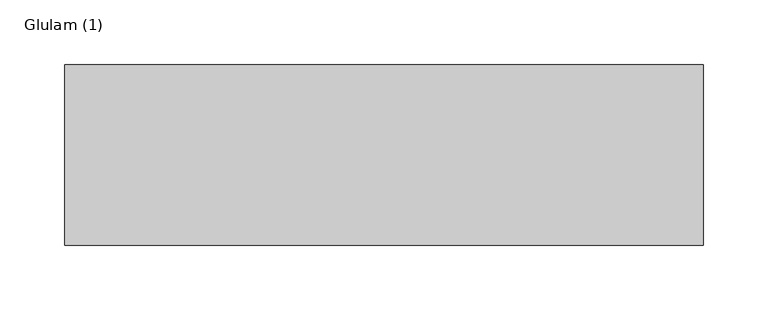
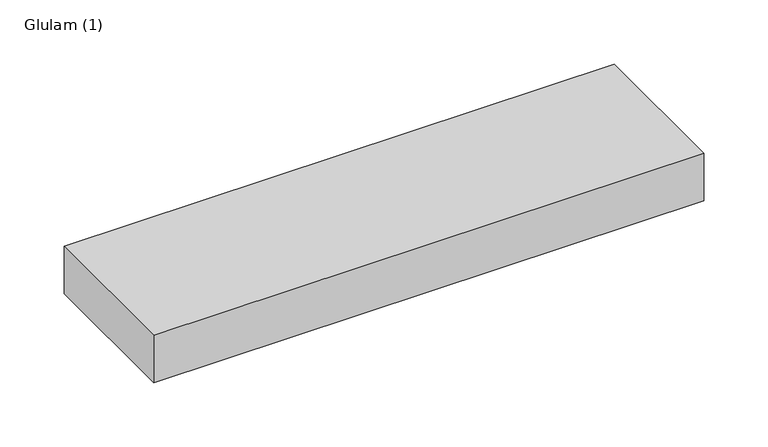
"""IFC4 building model written with IfcOpenShell, lengths in millimetres: beam geometry, Glulam (1)."""

from ifc_helpers import new_model, si_unit, frame, origin, place, context, project, spatial, polyline, outline, extrude, source, transform, mapped, element, save


def glulam_1_cf85b507(model_context):
    return source(origin(), model_context, "Body", "SweptSolid", [
        extrude(outline(polyline([(247.5, 70.0), (247.5, -70.0), (-247.5, -70.0), (-247.5, 70.0), (247.5, 70.0)])), frame((0.0, 0.0, -22.5), z_axis=(0.0, 0.0, 1.0), x_axis=(1.0, 0.0, 0.0)), (0.0, 0.0, 1.0), 45.0),
    ])


if __name__ == "__main__":
    model = new_model("IFC4")
    model_context = context("Model", 3, world=origin())
    ifc_project = project(units=[si_unit("LENGTHUNIT", "METRE", prefix="MILLI")], contexts=[model_context])
    site = spatial("IfcSite", under=ifc_project)
    building = spatial("IfcBuilding", under=site)
    placement = place(None, origin())
    glulam_1_shape = glulam_1_cf85b507(model_context)
    element("IfcBeam", 1, ObjectType="Glulam (1)", at=placement, inside=building, context=model_context, shape_type="MappedRepresentation", body=[
        mapped(glulam_1_shape, transform((0.0, 0.0, 0.0), x_axis=(1.0, 0.0, 0.0), y_axis=(0.0, 1.0, 0.0), z_axis=(0.0, 0.0, 1.0))),
    ])
    save(model, "model.ifc")
